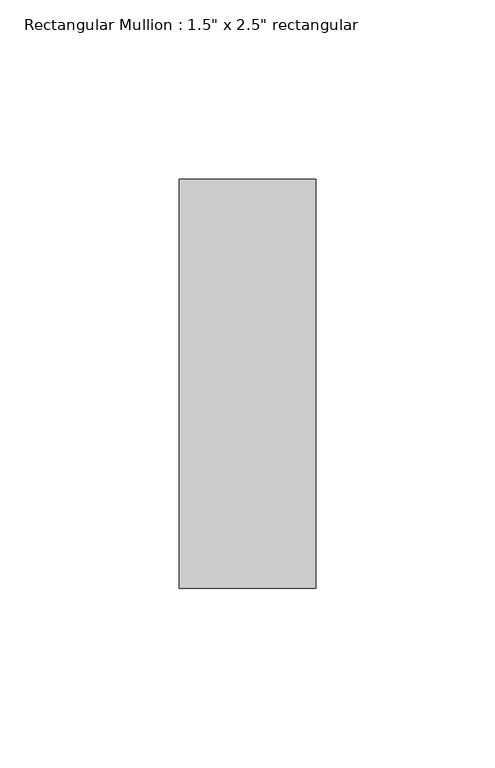
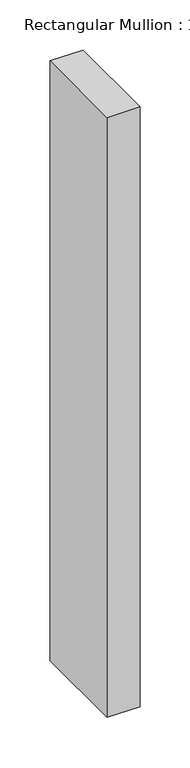
"""IFC4 building model written with IfcOpenShell, lengths in millimetres: member geometry."""

from ifc_helpers import new_model, si_unit, frame, origin, place, context, project, spatial, polyline, outline, extrude, source, transform, mapped, element, save


def member_45524fff(model_context):
    return source(origin(), model_context, "Body", "SweptSolid", [
        extrude(outline(polyline([(0.0, 57.15), (0.0, -57.15), (-38.1, -57.15), (-38.1, 57.15), (0.0, 57.15)])), frame((0.0, 0.0, -732.3666667), z_axis=(0.0, 0.0, 1.0), x_axis=(1.0, 0.0, 0.0)), (0.0, 0.0, 1.0), 732.3666667),
    ])


if __name__ == "__main__":
    model = new_model("IFC4")
    model_context = context("Model", 3, world=origin())
    ifc_project = project(units=[si_unit("LENGTHUNIT", "METRE", prefix="MILLI")], contexts=[model_context])
    site = spatial("IfcSite", under=ifc_project)
    building = spatial("IfcBuilding", under=site)
    placement = place(None, origin())
    member_shape = member_45524fff(model_context)
    element("IfcMember", 1, ObjectType="Rectangular Mullion : 1.5\" x 2.5\" rectangular", at=placement, inside=building, context=model_context, shape_type="MappedRepresentation", body=[
        mapped(member_shape, transform((0.0, 0.0, 0.0), x_axis=(1.0, 0.0, 0.0), y_axis=(0.0, 1.0, 0.0), z_axis=(0.0, 0.0, 1.0))),
    ])
    save(model, "model.ifc")
